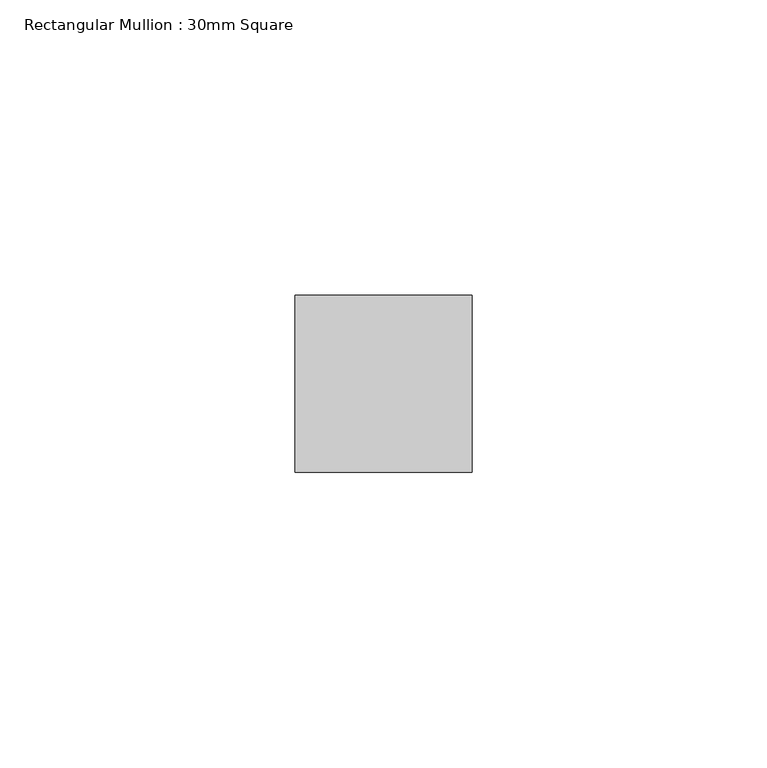
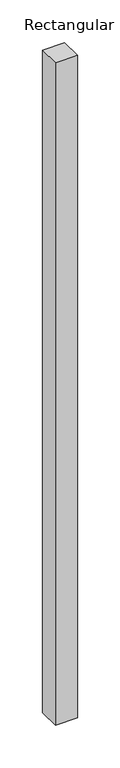
"""IFC4 building model written with IfcOpenShell, lengths in millimetres: member geometry, Rectangular Mullion : 30mm Square."""

from ifc_helpers import new_model, si_unit, frame, origin, place, context, project, spatial, polyline, outline, extrude, source, transform, mapped, element, save


def rectangular_mullion_30mm_square_2630f89c(model_context):
    return source(origin(), model_context, "Body", "SweptSolid", [
        extrude(outline(polyline([(0.0, 15.0), (0.0, -15.0), (-30.0, -15.0), (-30.0, 15.0), (0.0, 15.0)])), frame((0.0, 0.0, -946.4407667), z_axis=(0.0, 0.0, 1.0), x_axis=(1.0, 0.0, 0.0)), (0.0, 0.0, 1.0), 946.4407667),
    ])


if __name__ == "__main__":
    model = new_model("IFC4")
    model_context = context("Model", 3, world=origin())
    ifc_project = project(units=[si_unit("LENGTHUNIT", "METRE", prefix="MILLI")], contexts=[model_context])
    site = spatial("IfcSite", under=ifc_project)
    building = spatial("IfcBuilding", under=site)
    placement = place(None, origin())
    rectangular_mullion_30mm_square_shape = rectangular_mullion_30mm_square_2630f89c(model_context)
    element("IfcMember", 1, ObjectType="Rectangular Mullion : 30mm Square", at=placement, inside=building, context=model_context, shape_type="MappedRepresentation", body=[
        mapped(rectangular_mullion_30mm_square_shape, transform((0.0, 0.0, 0.0), x_axis=(1.0, 0.0, 0.0), y_axis=(0.0, 1.0, 0.0), z_axis=(0.0, 0.0, 1.0))),
    ])
    save(model, "model.ifc")
